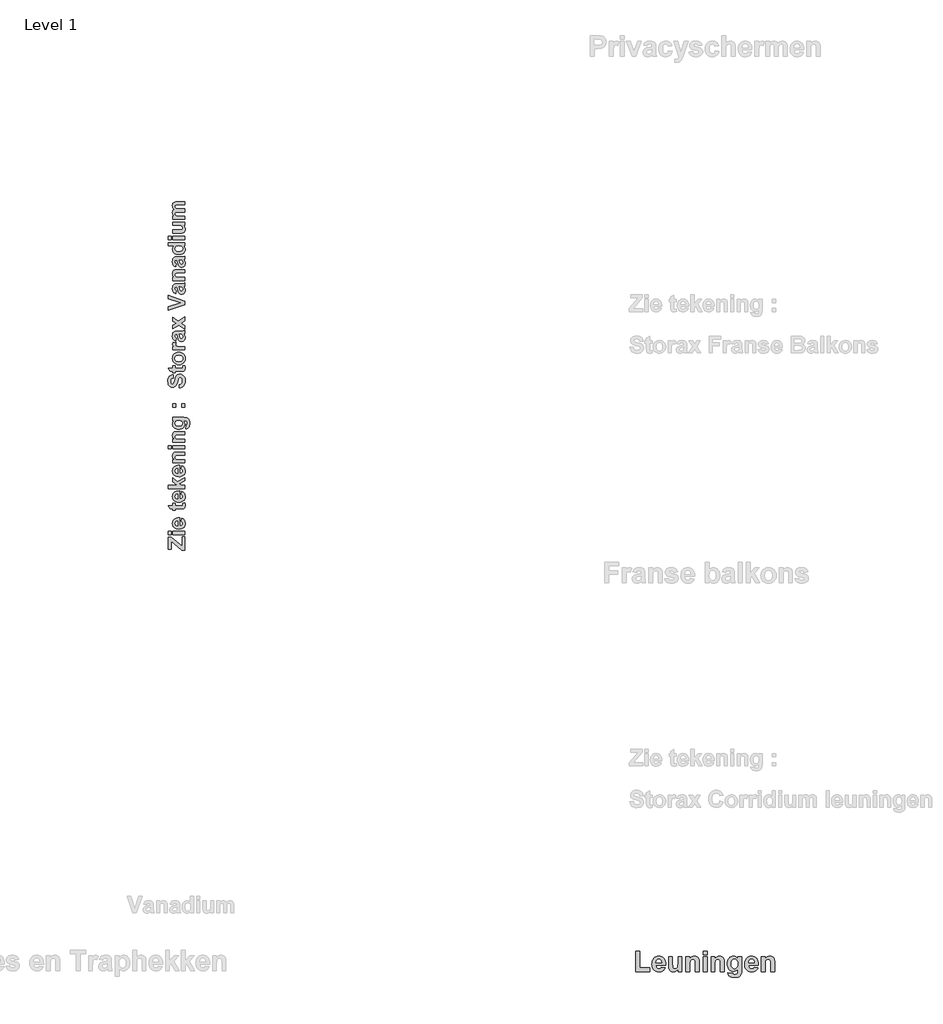
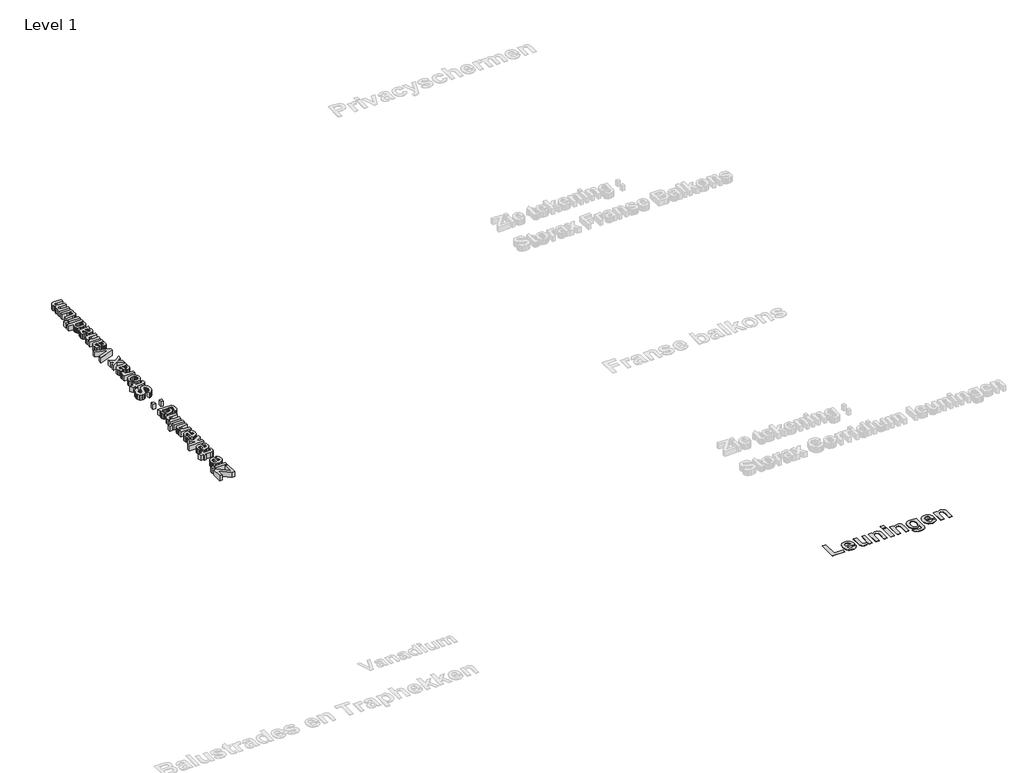
# One storey, part 15 of 20: 2 proxies.
"""IFC4 building model written with IfcOpenShell, lengths in millimetres."""

from ifc_helpers import new_model, si_unit, origin, origin_with_axes, place, context, project, spatial, polyline, outline, extrude, element, save

model = new_model("IFC4")

# Units and contexts
model_context = context("Model", 3, world=origin())
ifc_project = project(units=[si_unit("LENGTHUNIT", "METRE", prefix="MILLI")], contexts=[model_context])

# Site, building, storey
site = spatial("IfcSite", under=ifc_project)
building = spatial("IfcBuilding", under=site)
storey = spatial("IfcBuildingStorey", under=building, Name="Level 1", Elevation=0.0)

# Proxies
placement = place(None, origin())
element("IfcBuildingElementProxy", 1, Name="400mm", ObjectType="400mm", at=placement, inside=storey, context=model_context, shape_type="SweptSolid", body=[
    extrude(outline(polyline([(29629.0381866, -6913.9641128), (29551.304137, -6913.9641128), (29292.1906386, -6695.2358823), (29292.1906386, -6888.0527629), (29220.9344266, -6888.0527629), (29220.9344266, -6596.5500772), (29292.1906386, -6596.5500772), (29557.7819745, -6820.7439831), (29557.7819745, -6590.0722398), (29629.0381866, -6590.0722398), (29629.0381866, -6913.9641128)])), origin_with_axes(), (0.0, 0.0, 1.0), 150.0),
    extrude(outline(polyline([(29629.0381866, -6538.2495401), (29331.0576634, -6538.2495401), (29331.0576634, -6460.5154906), (29629.0381866, -6460.5154906), (29629.0381866, -6538.2495401)])), origin_with_axes(), (0.0, 0.0, 1.0), 150.0),
    extrude(outline(polyline([(29292.1906386, -6538.2495401), (29220.9344266, -6538.2495401), (29220.9344266, -6460.5154906), (29292.1906386, -6460.5154906), (29292.1906386, -6538.2495401)])), origin_with_axes(), (0.0, 0.0, 1.0), 150.0),
    extrude(outline(polyline([(29538.3484621, -6214.3576671), (29551.304137, -6136.6236176), (29587.5774964, -6155.5510489), (29602.0229474, -6168.2030752), (29614.0075793, -6182.9806419), (29623.4175239, -6199.8141629), (29630.1389129, -6218.634052), (29635.516024, -6262.2329346), (29632.3466914, -6297.4371977), (29622.8386937, -6327.7451267), (29606.9920308, -6353.1567215), (29584.8067027, -6373.6719821), (29563.1780637, -6386.1595321), (29538.8798472, -6395.0792106), (29511.9120532, -6400.4310177), (29482.2746816, -6402.2149534), (29447.329785, -6399.8490245), (29416.3829287, -6392.7512378), (29389.4341127, -6380.9215932), (29366.483337, -6364.3600908), (29348.1505509, -6344.1801088), (29335.0557037, -6321.4950257), (29327.1987954, -6296.3048414), (29324.5798259, -6268.6095558), (29327.2683815, -6237.8335019), (29335.3340483, -6210.4861471), (29348.7768262, -6186.5674914), (29367.5967153, -6166.0775348), (29391.970844, -6149.7500948), (29422.0763405, -6138.3189891), (29457.913205, -6131.7842175), (29499.4814374, -6130.1457801), (29499.4814374, -6324.4809039), (29532.2248814, -6319.4960056), (29556.7698124, -6306.1607698), (29572.1040683, -6286.499521), (29577.2154869, -6262.5365832), (29574.9128181, -6246.2154693), (29568.0048117, -6232.6778012), (29555.9853868, -6222.024795), (29538.3484621, -6214.3576671)]), holes=[polyline([(29454.1365751, -6207.8798296), (29423.4048033, -6212.6116875), (29401.0486728, -6225.1878016), (29387.4224405, -6243.4573276), (29382.8803631, -6265.2694209), (29387.662829, -6288.2961087), (29402.0102268, -6306.9704995), (29424.6573539, -6319.217661), (29454.1365751, -6323.1650932), (29454.1365751, -6207.8798296)])]), origin_with_axes(), (0.0, 0.0, 1.0), 150.0),
    extrude(outline(polyline([(29331.0576634, -5773.8647198), (29389.3582005, -5773.8647198), (29389.3582005, -5832.165257), (29517.1942742, -5832.165257), (29562.3873121, -5830.3939733), (29573.0150142, -5822.3472846), (29577.2154869, -5807.0636368), (29569.7254873, -5770.6258011), (29624.9895382, -5767.3868824), (29632.8844026, -5797.3721847), (29635.516024, -5831.0518786), (29633.6941322, -5851.7505936), (29628.2284569, -5870.3237682), (29619.8781195, -5885.4935478), (29609.4022418, -5895.9820776), (29595.8139655, -5902.9027359), (29578.1264328, -5907.3689012), (29521.5465712, -5909.8993065), (29389.3582005, -5909.8993065), (29389.3582005, -5948.7663312), (29331.0576634, -5948.7663312), (29331.0576634, -5909.8993065), (29272.7571263, -5909.8993065), (29227.412264, -5832.165257), (29331.0576634, -5832.165257), (29331.0576634, -5773.8647198)])), origin_with_axes(), (0.0, 0.0, 1.0), 150.0),
    extrude(outline(polyline([(29538.3484621, -5560.0960836), (29551.304137, -5482.3620341), (29587.5774964, -5501.2894654), (29602.0229474, -5513.9414917), (29614.0075793, -5528.7190584), (29623.4175239, -5545.5525794), (29630.1389129, -5564.3724685), (29635.516024, -5607.9713511), (29632.3466914, -5643.1756143), (29622.8386937, -5673.4835432), (29606.9920308, -5698.895138), (29584.8067027, -5719.4103987), (29563.1780637, -5731.8979486), (29538.8798472, -5740.8176271), (29511.9120532, -5746.1694343), (29482.2746816, -5747.95337), (29447.329785, -5745.5874411), (29416.3829287, -5738.4896543), (29389.4341127, -5726.6600097), (29366.483337, -5710.0985073), (29348.1505509, -5689.9185254), (29335.0557037, -5667.2334422), (29327.1987954, -5642.0432579), (29324.5798259, -5614.3479724), (29327.2683815, -5583.5719184), (29335.3340483, -5556.2245636), (29348.7768262, -5532.3059079), (29367.5967153, -5511.8159513), (29391.970844, -5495.4885114), (29422.0763405, -5484.0574056), (29457.913205, -5477.5226341), (29499.4814374, -5475.8841967), (29499.4814374, -5670.2193205), (29532.2248814, -5665.2344221), (29556.7698124, -5651.8991864), (29572.1040683, -5632.2379375), (29577.2154869, -5608.2749997), (29574.9128181, -5591.9538858), (29568.0048117, -5578.4162177), (29555.9853868, -5567.7632116), (29538.3484621, -5560.0960836)]), holes=[polyline([(29454.1365751, -5553.6182462), (29423.4048033, -5558.350104), (29401.0486728, -5570.9262181), (29387.4224405, -5589.1957441), (29382.8803631, -5611.0078374), (29387.662829, -5634.0345253), (29402.0102268, -5652.7089161), (29424.6573539, -5664.9560775), (29454.1365751, -5668.9035097), (29454.1365751, -5553.6182462)])]), origin_with_axes(), (0.0, 0.0, 1.0), 150.0),
    extrude(outline(polyline([(29629.0381866, -5417.5836595), (29220.9344266, -5417.5836595), (29220.9344266, -5339.84961), (29436.0188735, -5339.84961), (29331.0576634, -5245.9209668), (29331.0576634, -5155.2312424), (29440.573603, -5255.131642), (29629.0381866, -5148.7534049), (29629.0381866, -5226.4874544), (29495.5340052, -5305.1324499), (29533.5913002, -5339.84961), (29629.0381866, -5339.84961), (29629.0381866, -5417.5836595)])), origin_with_axes(), (0.0, 0.0, 1.0), 150.0),
    extrude(outline(polyline([(29538.3484621, -4938.2236875), (29551.304137, -4860.4896379), (29587.5774964, -4879.4170693), (29602.0229474, -4892.0690956), (29614.0075793, -4906.8466623), (29623.4175239, -4923.6801832), (29630.1389129, -4942.5000724), (29635.516024, -4986.0989549), (29632.3466914, -5021.3032181), (29622.8386937, -5051.6111471), (29606.9920308, -5077.0227419), (29584.8067027, -5097.5380025), (29563.1780637, -5110.0255524), (29538.8798472, -5118.945231), (29511.9120532, -5124.2970381), (29482.2746816, -5126.0809738), (29447.329785, -5123.7150449), (29416.3829287, -5116.6172581), (29389.4341127, -5104.7876136), (29366.483337, -5088.2261112), (29348.1505509, -5068.0461292), (29335.0557037, -5045.3610461), (29327.1987954, -5020.1708617), (29324.5798259, -4992.4755762), (29327.2683815, -4961.6995222), (29335.3340483, -4934.3521674), (29348.7768262, -4910.4335117), (29367.5967153, -4889.9435551), (29391.970844, -4873.6161152), (29422.0763405, -4862.1850095), (29457.913205, -4855.6502379), (29499.4814374, -4854.0118005), (29499.4814374, -5048.3469243), (29532.2248814, -5043.3620259), (29556.7698124, -5030.0267902), (29572.1040683, -5010.3655414), (29577.2154869, -4986.4026036), (29574.9128181, -4970.0814897), (29568.0048117, -4956.5438215), (29555.9853868, -4945.8908154), (29538.3484621, -4938.2236875)]), holes=[polyline([(29454.1365751, -4931.74585), (29423.4048033, -4936.4777078), (29401.0486728, -4949.053822), (29387.4224405, -4967.3233479), (29382.8803631, -4989.1354413), (29387.662829, -5012.1621291), (29402.0102268, -5030.8365199), (29424.6573539, -5043.0836814), (29454.1365751, -5047.0311136), (29454.1365751, -4931.74585)])]), origin_with_axes(), (0.0, 0.0, 1.0), 150.0),
    extrude(outline(polyline([(29629.0381866, -4530.1199275), (29629.0381866, -4607.853977), (29475.8980604, -4607.853977), (29435.8164411, -4609.0685715), (29412.9415775, -4612.7123551), (29400.2642472, -4619.1142804), (29390.7752275, -4628.6033001), (29384.8540792, -4640.7239413), (29382.8803631, -4655.020731), (29385.7017649, -4673.8342941), (29394.1659705, -4690.5982289), (29407.2987738, -4703.8575525), (29424.1259688, -4712.1572817), (29450.707876, -4716.5222308), (29493.1048161, -4717.9772138), (29629.0381866, -4717.9772138), (29629.0381866, -4795.7112633), (29331.0576634, -4795.7112633), (29331.0576634, -4717.9772138), (29373.9733366, -4717.9772138), (29352.3636757, -4698.309639), (29336.9282036, -4676.2508311), (29327.6669204, -4651.8007903), (29324.5798259, -4624.9595165), (29326.9331028, -4601.3255314), (29333.9929335, -4579.8170867), (29344.6965477, -4561.8512094), (29357.9811753, -4548.8449264), (29373.5305157, -4539.9252479), (29391.028268, -4534.219184), (29444.0149541, -4530.1199275), (29629.0381866, -4530.1199275)])), origin_with_axes(), (0.0, 0.0, 1.0), 150.0),
    extrude(outline(polyline([(29629.0381866, -4452.385878), (29331.0576634, -4452.385878), (29331.0576634, -4374.6518284), (29629.0381866, -4374.6518284), (29629.0381866, -4452.385878)])), origin_with_axes(), (0.0, 0.0, 1.0), 150.0),
    extrude(outline(polyline([(29292.1906386, -4452.385878), (29220.9344266, -4452.385878), (29220.9344266, -4374.6518284), (29292.1906386, -4374.6518284), (29292.1906386, -4452.385878)])), origin_with_axes(), (0.0, 0.0, 1.0), 150.0),
    extrude(outline(polyline([(29629.0381866, -4031.3264431), (29629.0381866, -4109.0604926), (29475.8980604, -4109.0604926), (29435.8164411, -4110.2750871), (29412.9415775, -4113.9188707), (29400.2642472, -4120.320796), (29390.7752275, -4129.8098157), (29384.8540792, -4141.9304569), (29382.8803631, -4156.2272466), (29385.7017649, -4175.0408097), (29394.1659705, -4191.8047445), (29407.2987738, -4205.0640681), (29424.1259688, -4213.3637973), (29450.707876, -4217.7287464), (29493.1048161, -4219.1837294), (29629.0381866, -4219.1837294), (29629.0381866, -4296.9177789), (29331.0576634, -4296.9177789), (29331.0576634, -4219.1837294), (29373.9733366, -4219.1837294), (29352.3636757, -4199.5161545), (29336.9282036, -4177.4573467), (29327.6669204, -4153.0073059), (29324.5798259, -4126.1660321), (29326.9331028, -4102.532047), (29333.9929335, -4081.0236023), (29344.6965477, -4063.057725), (29357.9811753, -4050.051442), (29373.5305157, -4041.1317634), (29391.028268, -4035.4256996), (29444.0149541, -4031.3264431), (29629.0381866, -4031.3264431)])), origin_with_axes(), (0.0, 0.0, 1.0), 150.0),
    extrude(outline(polyline([(29648.4716989, -3960.070231), (29661.4273739, -3869.3805066), (29672.8648056, -3865.9138514), (29680.0511566, -3859.7649666), (29685.5168319, -3846.2779066), (29687.3387237, -3826.8696982), (29685.0360549, -3801.71747), (29678.1280486, -3783.7515926), (29670.0560558, -3775.3000391), (29658.1884551, -3769.1764583), (29621.9530518, -3765.7351072), (29578.5312976, -3765.7351072), (29600.6280615, -3785.7822429), (29616.4114643, -3807.4614899), (29625.881506, -3830.7728483), (29629.0381866, -3855.7163182), (29625.868854, -3882.9624568), (29616.3608562, -3907.2100652), (29600.5141933, -3928.4591433), (29578.3288652, -3946.7096912), (29557.060809, -3958.2230352), (29533.3382597, -3966.4468522), (29507.1612173, -3971.3811425), (29478.5296818, -3973.0259059), (29443.2906256, -3970.8718984), (29412.4734526, -3964.409876), (29386.0781627, -3953.6398386), (29364.1047561, -3938.5617863), (29346.8125991, -3920.2764453), (29334.4610585, -3899.8845419), (29327.0501341, -3877.3860762), (29324.5798259, -3852.7810481), (29327.50877, -3827.5276036), (29336.2956023, -3804.602132), (29350.9403227, -3784.0046332), (29371.4429313, -3765.7351072), (29331.0576634, -3765.7351072), (29331.0576634, -3688.0010577), (29595.7380534, -3688.0010577), (29641.298, -3690.1139461), (29673.7251434, -3696.4526112), (29696.7897873, -3706.5995363), (29714.2622356, -3720.1372045), (29727.3570829, -3737.9259534), (29737.2889235, -3760.826121), (29743.5516765, -3789.6600889), (29745.6392608, -3825.2502389), (29744.0830616, -3859.3664278), (29739.4144639, -3888.1308095), (29731.6334677, -3911.5433842), (29720.7400731, -3929.6041517), (29707.4554455, -3943.0659077), (29692.5007504, -3952.6814476), (29675.8759879, -3958.4507716), (29657.5811579, -3960.3738796), (29648.4716989, -3960.070231)]), holes=[polyline([(29475.5944117, -3895.2918564), (29518.3582606, -3890.8003871), (29534.7679387, -3885.1860504), (29547.8627859, -3877.3259791), (29565.0189335, -3857.2472133), (29570.7376494, -3832.9426708), (29564.8671092, -3806.8921487), (29547.2554886, -3785.2192277), (29534.1037073, -3776.694925), (29518.1305241, -3770.6061373), (29477.7199521, -3765.7351072), (29435.7531809, -3770.4037049), (29419.428904, -3776.239452), (29406.2106996, -3784.409498), (29388.7129472, -3805.5510339), (29382.8803631, -3831.6268601), (29388.599079, -3856.9182607), (29405.7552266, -3877.3259791), (29418.6982495, -3885.1860504), (29434.6524547, -3890.8003871), (29475.5944117, -3895.2918564)])]), origin_with_axes(), (0.0, 0.0, 1.0), 150.0),
    extrude(outline(polyline([(29408.7917129, -3435.3653967), (29331.0576634, -3435.3653967), (29331.0576634, -3357.6313472), (29408.7917129, -3357.6313472), (29408.7917129, -3435.3653967)])), origin_with_axes(), (0.0, 0.0, 1.0), 150.0),
    extrude(outline(polyline([(29629.0381866, -3435.3653967), (29551.304137, -3435.3653967), (29551.304137, -3357.6313472), (29629.0381866, -3357.6313472), (29629.0381866, -3435.3653967)])), origin_with_axes(), (0.0, 0.0, 1.0), 150.0),
    extrude(outline(polyline([(29493.0035999, -2968.9610996), (29486.5257624, -2891.2270501), (29521.2935307, -2879.8908345), (29545.4335968, -2860.862187), (29559.5532582, -2834.0145872), (29564.259812, -2799.2215149), (29560.0972953, -2763.1126319), (29547.6097454, -2737.175978), (29529.5553039, -2721.5380735), (29508.6921125, -2716.3254387), (29495.470745, -2718.4889352), (29484.3496139, -2724.9794247), (29474.9491584, -2736.8849814), (29466.8898176, -2755.2936796), (29449.5818457, -2822.7036757), (29431.6918805, -2880.2450913), (29421.2476328, -2901.4625394), (29409.803875, -2917.644481), (29392.0847122, -2934.4273939), (29372.5310056, -2946.4151888), (29351.1427551, -2953.6078657), (29327.9199609, -2956.0054247), (29297.8587464, -2951.6025195), (29269.8218562, -2938.3938041), (29246.0107427, -2916.8853594), (29228.6268586, -2887.5832665), (29217.9991565, -2850.9683024), (29214.4565891, -2807.5212442), (29216.6643677, -2771.5800005), (29223.2877035, -2740.3769406), (29234.3265964, -2713.9120647), (29249.7810465, -2692.1853725), (29268.9172363, -2675.1272781), (29291.0013482, -2662.6681952), (29316.0333822, -2654.8081238), (29344.0133383, -2651.5470641), (29344.0133383, -2729.2811136), (29317.3049108, -2737.8718394), (29299.3263815, -2752.7126663), (29289.1161963, -2775.1700129), (29285.7128012, -2806.6102983), (29289.3312807, -2839.707999), (29300.1867193, -2864.708403), (29311.0674619, -2874.8806321), (29325.085907, -2878.2713752), (29338.3199265, -2875.1842808), (29349.4790137, -2865.9229975), (29362.5485568, -2839.0374417), (29376.0482689, -2789.7577993), (29390.0920181, -2737.163326), (29404.7936726, -2700.3332774), (29422.5950736, -2674.5231438), (29445.9380621, -2654.9884152), (29475.1136347, -2642.6906457), (29510.4127881, -2638.5913892), (29544.1177861, -2643.4371152), (29575.5960275, -2657.9742934), (29602.0640665, -2681.3805421), (29620.7384573, -2712.8334794), (29631.8216323, -2752.6747102), (29635.516024, -2801.2458391), (29633.2418223, -2837.5698066), (29626.4192171, -2869.4149568), (29615.0482085, -2896.7812896), (29599.1287964, -2919.6688052), (29578.8507613, -2938.2356538), (29554.4038835, -2952.6399857), (29525.788163, -2962.881801), (29493.0035999, -2968.9610996)])), origin_with_axes(), (0.0, 0.0, 1.0), 150.0),
    extrude(outline(polyline([(29331.0576634, -2431.3005904), (29389.3582005, -2431.3005904), (29389.3582005, -2489.6011276), (29517.1942742, -2489.6011276), (29562.3873121, -2487.8298439), (29573.0150142, -2479.7831552), (29577.2154869, -2464.4995074), (29569.7254873, -2428.0616717), (29624.9895382, -2424.822753), (29632.8844026, -2454.8080553), (29635.516024, -2488.4877493), (29633.6941322, -2509.1864643), (29628.2284569, -2527.7596389), (29619.8781195, -2542.9294184), (29609.4022418, -2553.4179482), (29595.8139655, -2560.3386066), (29578.1264328, -2564.8047718), (29521.5465712, -2567.3351771), (29389.3582005, -2567.3351771), (29389.3582005, -2606.2022019), (29331.0576634, -2606.2022019), (29331.0576634, -2567.3351771), (29272.7571263, -2567.3351771), (29227.412264, -2489.6011276), (29331.0576634, -2489.6011276), (29331.0576634, -2431.3005904)])), origin_with_axes(), (0.0, 0.0, 1.0), 150.0),
    extrude(outline(polyline([(29475.7968442, -2405.3892406), (29437.24612, -2400.5941226), (29399.9352945, -2386.2087687), (29367.5840633, -2363.0429086), (29343.9121221, -2331.9062719), (29329.4129, -2294.7346187), (29324.5798259, -2253.4637089), (29327.3189896, -2221.4762234), (29335.5364807, -2192.5188983), (29349.2322992, -2166.5917334), (29368.406445, -2143.6947288), (29391.7684116, -2124.9855449), (29418.0276921, -2111.6218422), (29447.1842867, -2103.6036205), (29479.2381953, -2100.93088), (29511.5483074, -2103.6320876), (29540.9674316, -2111.7357104), (29567.4955677, -2125.2417485), (29591.1327158, -2144.1502018), (29610.5504132, -2167.1515856), (29624.420197, -2192.9364151), (29632.7420673, -2221.5046905), (29635.516024, -2252.8564116), (29630.8980344, -2292.49521), (29617.0440656, -2330.2362044), (29594.2577663, -2362.6253917), (29562.842785, -2386.2087687), (29523.2166387, -2400.5941226), (29475.7968442, -2405.3892406)]), holes=[polyline([(29480.047925, -2327.6551911), (29521.6098313, -2322.2780799), (29538.2630609, -2315.5566909), (29552.1644748, -2306.1467464), (29563.1242926, -2294.7630857), (29570.9527339, -2282.1205485), (29575.6497986, -2268.2191346), (29577.2154869, -2253.0588441), (29575.6497986, -2237.9048796), (29570.9527339, -2224.0224437), (29563.1242926, -2211.4115365), (29552.1644748, -2200.072158), (29538.2251049, -2190.7064955), (29521.458007, -2184.0167366), (29479.4406277, -2178.6649295), (29438.3341943, -2184.0167366), (29421.7948329, -2190.7064955), (29407.9313751, -2200.072158), (29396.9715574, -2211.4115365), (29389.1431161, -2224.0224437), (29384.4460513, -2237.9048796), (29382.8803631, -2253.0588441), (29384.4460513, -2268.2191346), (29389.1431161, -2282.1205485), (29396.9715574, -2294.7630857), (29407.9313751, -2306.1467464), (29421.832789, -2315.5566909), (29438.4860186, -2322.2780799), (29480.047925, -2327.6551911)])]), origin_with_axes(), (0.0, 0.0, 1.0), 150.0),
    extrude(outline(polyline([(29629.0381866, -1964.8962933), (29629.0381866, -2042.6303428), (29331.0576634, -2042.6303428), (29331.0576634, -1964.8962933), (29372.5563096, -1964.8962933), (29348.1505509, -1948.4739632), (29333.8411092, -1933.8229167), (29326.8951468, -1919.0959581), (29324.5798259, -1902.4458915), (29328.6790825, -1878.1793051), (29340.976852, -1854.7730565), (29414.9659018, -1877.4454876), (29405.476882, -1896.1704865), (29402.3138755, -1913.4784585), (29404.5279801, -1928.4205015), (29411.1702939, -1940.8574434), (29423.5819317, -1950.8525441), (29443.1040082, -1958.469064), (29478.8333305, -1963.289486), (29539.8667053, -1964.8962933), (29629.0381866, -1964.8962933)])), origin_with_axes(), (0.0, 0.0, 1.0), 150.0),
    extrude(outline(polyline([(29421.7473878, -1757.6054946), (29408.7917129, -1828.8617066), (29371.4429313, -1813.4135825), (29356.9437092, -1802.6055891), (29345.2279328, -1789.7416414), (29336.1943861, -1774.17016), (29329.7418527, -1755.2395657), (29324.5798259, -1707.3010381), (29327.7048764, -1663.955196), (29337.0800279, -1633.3119883), (29351.2502974, -1612.6132733), (29368.7607017, -1599.1009092), (29395.9752103, -1591.6615178), (29439.2577922, -1589.1817206), (29531.1621112, -1589.1817206), (29589.0577835, -1585.0824641), (29629.0381866, -1569.7482082), (29629.0381866, -1647.4822578), (29604.3414312, -1654.7698249), (29594.5234588, -1657.5026626), (29612.426076, -1677.6193844), (29625.2425787, -1699.102525), (29632.9476627, -1722.0026926), (29635.516024, -1746.3704952), (29633.9566618, -1767.3633699), (29629.2785751, -1786.0092936), (29621.4817639, -1802.3082665), (29610.5662282, -1816.2602885), (29597.2721116, -1827.4415167), (29582.3395575, -1835.4281083), (29565.7685661, -1840.2200632), (29547.5591373, -1841.8173816), (29523.7227197, -1838.9706757), (29502.6191399, -1830.4305579), (29485.1846477, -1816.7537175), (29472.355493, -1798.4968436), (29462.5122165, -1773.4205274), (29454.0353589, -1739.2853605), (29444.0402582, -1695.0791807), (29434.7030628, -1666.9157701), (29426.5045497, -1666.9157701), (29406.3119158, -1669.3323072), (29392.9007679, -1676.5819182), (29385.3854643, -1690.5117992), (29382.8803631, -1712.9691458), (29385.0312076, -1729.0878273), (29391.483741, -1741.2084685), (29403.3513416, -1750.3685355), (29421.7473878, -1757.6054946)]), holes=[polyline([(29493.0035999, -1666.9157701), (29503.7831263, -1710.7423892), (29516.0808959, -1750.0142788), (29527.1387668, -1760.5660687), (29540.8788674, -1764.083332), (29554.656924, -1761.2619302), (29566.4359605, -1752.7977246), (29574.5206053, -1739.981222), (29577.2154869, -1724.102929), (29574.0777844, -1705.0489774), (29564.6646768, -1686.9565798), (29554.0875828, -1676.0758372), (29541.3849484, -1669.749824), (29507.0726531, -1666.9157701), (29493.0035999, -1666.9157701)])]), origin_with_axes(), (0.0, 0.0, 1.0), 150.0),
    extrude(outline(polyline([(29629.0381866, -1547.0757771), (29475.5944117, -1441.8109184), (29331.0576634, -1534.1201022), (29331.0576634, -1441.7097022), (29412.9415775, -1396.7697048), (29331.0576634, -1347.9834914), (29331.0576634, -1255.5730914), (29472.1530606, -1350.6151129), (29629.0381866, -1242.6174165), (29629.0381866, -1335.0278165), (29536.7290028, -1396.7697048), (29629.0381866, -1454.6653771), (29629.0381866, -1547.0757771)])), origin_with_axes(), (0.0, 0.0, 1.0), 150.0),
    extrude(outline(polyline([(29629.0381866, -946.3575689), (29220.9344266, -1083.9103987), (29220.9344266, -1001.9252684), (29525.3927872, -899.2920311), (29220.9344266, -796.3551452), (29220.9344266, -714.6736635), (29629.0381866, -859.5140605), (29629.0381866, -946.3575689)])), origin_with_axes(), (0.0, 0.0, 1.0), 150.0),
    extrude(outline(polyline([(29421.7473878, -604.5504267), (29408.7917129, -675.8066388), (29371.4429313, -660.3585147), (29356.9437092, -649.5505212), (29345.2279328, -636.6865735), (29336.1943861, -621.1150921), (29329.7418527, -602.1844978), (29324.5798259, -554.2459702), (29327.7048764, -510.9001281), (29337.0800279, -480.2569204), (29351.2502974, -459.5582054), (29368.7607017, -446.0458413), (29395.9752103, -438.6064499), (29439.2577922, -436.1266527), (29531.1621112, -436.1266527), (29589.0577835, -432.0273962), (29629.0381866, -416.6931404), (29629.0381866, -494.4271899), (29604.3414312, -501.714757), (29594.5234588, -504.4475947), (29612.426076, -524.5643165), (29625.2425787, -546.0474571), (29632.9476627, -568.9476247), (29635.516024, -593.3154274), (29633.9566618, -614.308302), (29629.2785751, -632.9542257), (29621.4817639, -649.2531986), (29610.5662282, -663.2052206), (29597.2721116, -674.3864488), (29582.3395575, -682.3730404), (29565.7685661, -687.1649954), (29547.5591373, -688.7623137), (29523.7227197, -685.9156078), (29502.6191399, -677.37549), (29485.1846477, -663.6986496), (29472.355493, -645.4417757), (29462.5122165, -620.3654596), (29454.0353589, -586.2302926), (29444.0402582, -542.0241128), (29434.7030628, -513.8607023), (29426.5045497, -513.8607023), (29406.3119158, -516.2772393), (29392.9007679, -523.5268503), (29385.3854643, -537.4567313), (29382.8803631, -559.9140779), (29385.0312076, -576.0327594), (29391.483741, -588.1534006), (29403.3513416, -597.3134677), (29421.7473878, -604.5504267)]), holes=[polyline([(29493.0035999, -513.8607023), (29503.7831263, -557.6873213), (29516.0808959, -596.9592109), (29527.1387668, -607.5110008), (29540.8788674, -611.0282642), (29554.656924, -608.2068623), (29566.4359605, -599.7426567), (29574.5206053, -586.9261541), (29577.2154869, -571.0478611), (29574.0777844, -551.9939095), (29564.6646768, -533.9015119), (29554.0875828, -523.0207693), (29541.3849484, -516.6947561), (29507.0726531, -513.8607023), (29493.0035999, -513.8607023)])]), origin_with_axes(), (0.0, 0.0, 1.0), 150.0),
    extrude(outline(polyline([(29629.0381866, -92.8012674), (29629.0381866, -170.5353169), (29475.8980604, -170.5353169), (29435.8164411, -171.7499114), (29412.9415775, -175.393695), (29400.2642472, -181.7956203), (29390.7752275, -191.28464), (29384.8540792, -203.4052812), (29382.8803631, -217.7020709), (29385.7017649, -236.515634), (29394.1659705, -253.2795688), (29407.2987738, -266.5388924), (29424.1259688, -274.8386216), (29450.707876, -279.2035707), (29493.1048161, -280.6585537), (29629.0381866, -280.6585537), (29629.0381866, -358.3926032), (29331.0576634, -358.3926032), (29331.0576634, -280.6585537), (29373.9733366, -280.6585537), (29352.3636757, -260.9909788), (29336.9282036, -238.932171), (29327.6669204, -214.4821302), (29324.5798259, -187.6408564), (29326.9331028, -164.0068713), (29333.9929335, -142.4984266), (29344.6965477, -124.5325493), (29357.9811753, -111.5262663), (29373.5305157, -102.6065877), (29391.028268, -96.9005239), (29444.0149541, -92.8012674), (29629.0381866, -92.8012674)])), origin_with_axes(), (0.0, 0.0, 1.0), 150.0),
    extrude(outline(polyline([(29421.7473878, 49.7111568), (29408.7917129, -21.5450553), (29371.4429313, -6.0969312), (29356.9437092, 4.7110623), (29345.2279328, 17.57501), (29336.1943861, 33.1464913), (29329.7418527, 52.0770857), (29324.5798259, 100.0156133), (29327.7048764, 143.3614554), (29337.0800279, 174.004663), (29351.2502974, 194.703378), (29368.7607017, 208.2157421), (29395.9752103, 215.6551336), (29439.2577922, 218.1349307), (29531.1621112, 218.1349307), (29589.0577835, 222.2341872), (29629.0381866, 237.5684431), (29629.0381866, 159.8343936), (29604.3414312, 152.5468264), (29594.5234588, 149.8139888), (29612.426076, 129.697267), (29625.2425787, 108.2141263), (29632.9476627, 85.3139587), (29635.516024, 60.9461561), (29633.9566618, 39.9532815), (29629.2785751, 21.3073577), (29621.4817639, 5.0083849), (29610.5662282, -8.9436371), (29597.2721116, -20.1248653), (29582.3395575, -28.1114569), (29565.7685661, -32.9034119), (29547.5591373, -34.5007302), (29523.7227197, -31.6540243), (29502.6191399, -23.1139066), (29485.1846477, -9.4370661), (29472.355493, 8.8198078), (29462.5122165, 33.8961239), (29454.0353589, 68.0312908), (29444.0402582, 112.2374707), (29434.7030628, 140.4008812), (29426.5045497, 140.4008812), (29406.3119158, 137.9843442), (29392.9007679, 130.7347331), (29385.3854643, 116.8048522), (29382.8803631, 94.3475055), (29385.0312076, 78.228824), (29391.483741, 66.1081828), (29403.3513416, 56.9481158), (29421.7473878, 49.7111568)]), holes=[polyline([(29493.0035999, 140.4008812), (29503.7831263, 96.5742621), (29516.0808959, 57.3023725), (29527.1387668, 46.7505826), (29540.8788674, 43.2333193), (29554.656924, 46.0547212), (29566.4359605, 54.5189268), (29574.5206053, 67.3354294), (29577.2154869, 83.2137224), (29574.0777844, 102.267674), (29564.6646768, 120.3600716), (29554.0875828, 131.2408142), (29541.3849484, 137.5668273), (29507.0726531, 140.4008812), (29493.0035999, 140.4008812)])]), origin_with_axes(), (0.0, 0.0, 1.0), 150.0),
    extrude(outline(polyline([(29629.0381866, 561.4603161), (29629.0381866, 483.7262666), (29586.1225134, 483.7262666), (29607.9219547, 464.7608792), (29623.3194707, 442.6830933), (29632.4668857, 418.960544), (29635.516024, 395.0608664), (29632.9350107, 371.4933044), (29625.1919706, 349.6780481), (29612.2869038, 329.6150974), (29594.2198102, 311.3044523), (29571.5284011, 296.0492716), (29544.7503874, 285.152714), (29513.8857693, 278.6147794), (29478.9345467, 276.4354679), (29443.3950048, 278.6116164), (29412.3848884, 285.140062), (29385.9041974, 296.0208046), (29363.9529318, 311.2538442), (29346.727198, 329.8143668), (29334.4231024, 350.6775581), (29327.0406451, 373.8434183), (29324.5798259, 399.3119472), (29327.1292092, 422.8826722), (29334.7773591, 444.8086337), (29347.5242756, 465.0898319), (29365.3699587, 483.7262666), (29220.9344266, 483.7262666), (29220.9344266, 561.4603161), (29629.0381866, 561.4603161)]), holes=[polyline([(29474.3798172, 354.1695174), (29516.6881931, 357.4084361), (29545.4335968, 367.1251923), (29559.3381737, 377.4176157), (29569.2700144, 389.5698869), (29575.2291188, 403.5820061), (29577.2154869, 419.453973), (29571.2563825, 444.2519446), (29553.3790694, 465.0012677), (29539.9900625, 473.1934547), (29523.6594596, 479.0450169), (29482.1734654, 483.7262666), (29436.740039, 479.1841892), (29419.5744023, 473.5065924), (29406.1094834, 465.5579568), (29388.6876432, 444.8212858), (29382.8803631, 418.947892), (29388.624383, 393.6438394), (29405.8564428, 372.7933001), (29418.7551836, 364.6453952), (29434.4753263, 358.8254631), (29474.3798172, 354.1695174)])]), origin_with_axes(), (0.0, 0.0, 1.0), 150.0),
    extrude(outline(polyline([(29629.0381866, 639.1943656), (29331.0576634, 639.1943656), (29331.0576634, 716.9284152), (29629.0381866, 716.9284152), (29629.0381866, 639.1943656)])), origin_with_axes(), (0.0, 0.0, 1.0), 150.0),
    extrude(outline(polyline([(29292.1906386, 639.1943656), (29220.9344266, 639.1943656), (29220.9344266, 716.9284152), (29292.1906386, 716.9284152), (29292.1906386, 639.1943656)])), origin_with_axes(), (0.0, 0.0, 1.0), 150.0),
    extrude(outline(polyline([(29629.0381866, 982.519751), (29585.3127837, 982.519751), (29606.2012791, 964.6171338), (29622.1048762, 941.8814426), (29632.1632371, 916.0080488), (29635.516024, 888.6923241), (29632.2264972, 861.6929), (29622.3579167, 837.5781378), (29606.5302318, 818.0434093), (29585.3633918, 804.7840857), (29556.9595928, 797.1928699), (29519.4210308, 794.6624647), (29331.0576634, 794.6624647), (29331.0576634, 872.3965142), (29468.8129256, 872.3965142), (29519.8132436, 873.4466324), (29546.2939346, 876.5969869), (29559.0471771, 882.5434393), (29568.8651495, 891.9818509), (29575.1279025, 904.6718333), (29577.2154869, 920.3729979), (29574.4320411, 938.9841286), (29566.0817038, 955.545631), (29553.5941538, 968.6278261), (29538.3990702, 976.8010351), (29509.894055, 981.090072), (29457.4767101, 982.519751), (29331.0576634, 982.519751), (29331.0576634, 1060.2538005), (29629.0381866, 1060.2538005), (29629.0381866, 982.519751)])), origin_with_axes(), (0.0, 0.0, 1.0), 150.0),
    extrude(outline(polyline([(29331.0576634, 1131.5100126), (29331.0576634, 1209.2440621), (29370.9368503, 1209.2440621), (29350.6556521, 1228.3802519), (29336.169082, 1249.2497692), (29327.47714, 1271.8526142), (29324.5798259, 1296.1887868), (29327.4265319, 1321.2271468), (29335.9666496, 1342.6976354), (29350.2760913, 1360.6255567), (29370.4307692, 1375.0362146), (29350.2760913, 1394.937852), (29335.9666496, 1416.3830365), (29327.4265319, 1439.3464642), (29324.5798259, 1463.8028311), (29327.9073089, 1493.3326604), (29337.8897576, 1517.9535036), (29354.3247397, 1537.3364078), (29377.0098229, 1551.1524206), (29401.9343147, 1557.0735689), (29438.650495, 1559.047285), (29629.0381866, 1559.047285), (29629.0381866, 1481.3132354), (29457.4767101, 1481.3132354), (29420.7605298, 1479.3395193), (29399.8846864, 1473.418371), (29387.1314439, 1460.0072232), (29382.8803631, 1440.8267513), (29385.4234204, 1425.3027151), (29393.0525922, 1410.7149287), (29405.5907503, 1398.5689835), (29422.8607662, 1390.3704705), (29448.1901228, 1385.7018728), (29484.9063031, 1384.1456735), (29629.0381866, 1384.1456735), (29629.0381866, 1306.411624), (29464.5618448, 1306.411624), (29408.0325913, 1302.3629756), (29396.9494163, 1297.2136009), (29389.10516, 1289.8627736), (29384.4365623, 1279.8803249), (29382.8803631, 1266.8360858), (29385.3475082, 1250.2113232), (29392.7489436, 1235.3578444), (29404.8189767, 1223.3637235), (29421.2919149, 1215.3170347), (29446.1025385, 1210.7623053), (29483.1856275, 1209.2440621), (29629.0381866, 1209.2440621), (29629.0381866, 1131.5100126), (29331.0576634, 1131.5100126)])), origin_with_axes(), (0.0, 0.0, 1.0), 150.0),
])
element("IfcBuildingElementProxy", 2, Name="500mm", ObjectType="500mm", at=placement, inside=storey, context=model_context, shape_type="SweptSolid", body=[
    extrude(outline(polyline([(40589.66133, -17164.6173693), (40589.66133, -16664.6173693), (40684.8994253, -16664.6173693), (40684.8994253, -17077.315782), (40938.8676792, -17077.315782), (40938.8676792, -17164.6173693), (40589.66133, -17164.6173693)])), origin_with_axes(), (0.0, 0.0, 1.0), 5.0),
    extrude(outline(polyline([(41216.645457, -17053.5062582), (41311.8835523, -17069.3792741), (41301.5908935, -17093.1074177), (41288.6940681, -17113.8206183), (41273.1930761, -17131.518876), (41255.0879173, -17146.2021907), (41234.4638474, -17157.7310536), (41211.4061217, -17165.9659556), (41185.9147403, -17170.9068968), (41157.9897031, -17172.5538772), (41114.8581926, -17168.6708787), (41077.7255662, -17157.0218832), (41046.5918236, -17137.6068906), (41021.456965, -17110.4259011), (41006.1574858, -17083.9269551), (40995.2292864, -17054.1572999), (40988.6723667, -17021.1169353), (40986.4867269, -16984.8058614), (40989.3854124, -16941.9921213), (40998.0814689, -16904.0766947), (41012.5748965, -16871.0595816), (41032.8656951, -16842.940782), (41057.5897775, -16820.4798445), (41085.3830562, -16804.4363177), (41116.2455314, -16794.8102016), (41150.1772031, -16791.6014963), (41187.8833662, -16794.8954571), (41221.3887606, -16804.7773395), (41250.6933861, -16821.2471436), (41275.7972427, -16844.3048693), (41295.801273, -16874.1675305), (41309.8064193, -16911.0521411), (41317.8126817, -16954.9587012), (41319.8200602, -17005.8872106), (41081.7248221, -17005.8872106), (41087.832213, -17046.003778), (41094.7224039, -17062.2953207), (41104.1702586, -17076.0757026), (41115.5557373, -17087.034904), (41128.2588003, -17094.862905), (41142.2794476, -17099.5597056), (41157.6176792, -17101.1253058), (41177.613959, -17098.3041253), (41194.2000205, -17089.8405836), (41207.2518558, -17075.1146411), (41216.645457, -17053.5062582)]), holes=[polyline([(41224.581965, -16950.331655), (41218.7845939, -16912.6797453), (41212.2819278, -16897.7019117), (41203.3766078, -16885.2894923), (41180.9931753, -16868.5949239), (41154.269465, -16863.0300677), (41126.0576594, -16868.8894427), (41103.1781951, -16886.4675677), (41094.4046336, -16899.2946387), (41088.1732348, -16914.2143435), (41083.3369253, -16950.331655), (41224.581965, -16950.331655)])]), origin_with_axes(), (0.0, 0.0, 1.0), 5.0),
    extrude(outline(polyline([(41621.4073618, -17164.6173693), (41621.4073618, -17111.0459407), (41599.473458, -17136.6380786), (41571.6181753, -17156.1228257), (41539.9186465, -17168.4461143), (41506.4520046, -17172.5538772), (41473.3728876, -17168.5236193), (41443.8279967, -17156.4328455), (41419.894465, -17137.0411044), (41403.6494253, -17111.1079447), (41394.34883, -17076.3082175), (41391.2486316, -17030.3167741), (41391.2486316, -16799.5380042), (41486.4867269, -16799.5380042), (41486.4867269, -16968.3128058), (41487.7733092, -17030.7973048), (41491.6330562, -17063.2408812), (41498.9185225, -17078.8658812), (41510.4822626, -17090.8946511), (41526.0297576, -17098.5676421), (41545.2664888, -17101.1253058), (41568.0684481, -17097.7150876), (41588.3592467, -17087.4844328), (41604.3872725, -17072.1849536), (41614.4009134, -17053.5682622), (41619.6557497, -17018.644527), (41621.4073618, -16954.4239169), (41621.4073618, -16799.5380042), (41716.645457, -16799.5380042), (41716.645457, -17164.6173693), (41621.4073618, -17164.6173693)])), origin_with_axes(), (0.0, 0.0, 1.0), 5.0),
    extrude(outline(polyline([(42137.2803777, -17164.6173693), (42042.0422824, -17164.6173693), (42042.0422824, -16976.9933614), (42040.5541872, -16927.8862185), (42036.0899015, -16899.8604249), (42028.2463995, -16884.3284308), (42016.6206554, -16872.7026868), (42001.770705, -16865.4482225), (41984.254584, -16863.0300677), (41961.2046088, -16866.486789), (41940.6657943, -16876.8569526), (41924.4207546, -16892.9469824), (41914.2521038, -16913.5633018), (41908.9042616, -16946.1308862), (41907.1216475, -16998.0747106), (41907.1216475, -17164.6173693), (41811.8835523, -17164.6173693), (41811.8835523, -16799.5380042), (41907.1216475, -16799.5380042), (41907.1216475, -16852.1173693), (41931.2179397, -16825.6416749), (41958.2439193, -16806.7304645), (41988.1995865, -16795.3837384), (42021.0849412, -16791.6014963), (42050.0407943, -16794.4846808), (42076.3924808, -16803.1342344), (42098.4038896, -16816.2480737), (42114.3389094, -16832.5241153), (42125.2671088, -16851.5748346), (42132.2580562, -16873.0127066), (42136.0247973, -16900.5579695), (42137.2803777, -16937.9308614), (42137.2803777, -17164.6173693)])), origin_with_axes(), (0.0, 0.0, 1.0), 5.0),
    extrude(outline(polyline([(42232.5184729, -17164.6173693), (42232.5184729, -16799.5380042), (42327.7565681, -16799.5380042), (42327.7565681, -17164.6173693), (42232.5184729, -17164.6173693)])), origin_with_axes(), (0.0, 0.0, 1.0), 5.0),
    extrude(outline(polyline([(42232.5184729, -16751.9189566), (42232.5184729, -16664.6173693), (42327.7565681, -16664.6173693), (42327.7565681, -16751.9189566), (42232.5184729, -16751.9189566)])), origin_with_axes(), (0.0, 0.0, 1.0), 5.0),
    extrude(outline(polyline([(42748.3914888, -17164.6173693), (42653.1533935, -17164.6173693), (42653.1533935, -16976.9933614), (42651.6652983, -16927.8862185), (42647.2010126, -16899.8604249), (42639.3575106, -16884.3284308), (42627.7317665, -16872.7026868), (42612.8818162, -16865.4482225), (42595.3656951, -16863.0300677), (42572.3157199, -16866.486789), (42551.7769054, -16876.8569526), (42535.5318658, -16892.9469824), (42525.363215, -16913.5633018), (42520.0153727, -16946.1308862), (42518.2327586, -16998.0747106), (42518.2327586, -17164.6173693), (42422.9946634, -17164.6173693), (42422.9946634, -16799.5380042), (42518.2327586, -16799.5380042), (42518.2327586, -16852.1173693), (42542.3290508, -16825.6416749), (42569.3550304, -16806.7304645), (42599.3106976, -16795.3837384), (42632.1960523, -16791.6014963), (42661.1519054, -16794.4846808), (42687.5035919, -16803.1342344), (42709.5150007, -16816.2480737), (42725.4500205, -16832.5241153), (42736.3782199, -16851.5748346), (42743.3691673, -16873.0127066), (42747.1359084, -16900.5579695), (42748.3914888, -16937.9308614), (42748.3914888, -17164.6173693)])), origin_with_axes(), (0.0, 0.0, 1.0), 5.0),
    extrude(outline(polyline([(42835.6930761, -17188.4268931), (42946.8041872, -17204.299909), (42951.051459, -17218.3128058), (42958.5849412, -17227.1173693), (42975.1089987, -17233.8137979), (42998.8875205, -17236.0459407), (43029.7034927, -17233.2247602), (43051.7149015, -17224.7612185), (43062.0695642, -17214.8715856), (43069.5720443, -17200.331655), (43073.7883142, -17155.9368138), (43073.7883142, -17102.737409), (43049.2269922, -17129.8098916), (43022.6660423, -17149.1473792), (42994.1054645, -17160.7498718), (42963.5452586, -17164.6173693), (42930.1638722, -17160.7343708), (42900.4562209, -17149.0853753), (42874.4223047, -17129.6703827), (42852.0621237, -17102.4893931), (42837.9562209, -17076.4322255), (42827.8805761, -17047.3678653), (42821.8351892, -17015.2963128), (42819.8200602, -16980.2175677), (42822.4591041, -16937.0434296), (42830.3762358, -16899.2868882), (42843.5714553, -16866.9479435), (42862.0447626, -16840.0265955), (42884.4475714, -16818.8406146), (42909.4312953, -16803.7077711), (42936.9959345, -16794.628065), (42967.1414888, -16791.6014963), (42998.0814689, -16795.189976), (43026.1692665, -16805.9554149), (43051.4048816, -16823.8978133), (43073.7883142, -16849.0171709), (43073.7883142, -16799.5380042), (43169.0264094, -16799.5380042), (43169.0264094, -17123.8187582), (43166.4377437, -17179.6378306), (43158.6717467, -17219.3668733), (43146.2399511, -17247.6251818), (43129.6538896, -17269.0320518), (43107.8594947, -17285.0755786), (43079.8026991, -17297.2438574), (43044.4759382, -17304.9168485), (43000.8716475, -17307.4745122), (42959.0732224, -17305.5678901), (42923.8317169, -17299.8480241), (42895.1471311, -17290.314914), (42873.019465, -17276.9685598), (42856.5264094, -17260.6925181), (42844.7456554, -17242.3703455), (42837.6772031, -17222.0020419), (42835.3210523, -17199.5876074), (42835.6930761, -17188.4268931)]), holes=[polyline([(42915.0581554, -16976.6213376), (42920.5610076, -17029.0146907), (42927.4395728, -17049.1194774), (42937.0695642, -17065.1630042), (42948.7224349, -17077.424289), (42961.6696386, -17086.1823495), (42975.911175, -17091.4371858), (42991.4470443, -17093.1887979), (43008.0757336, -17091.3906828), (43023.363587, -17085.9963376), (43037.3106046, -17077.0057622), (43049.9167864, -17064.4189566), (43060.3605798, -17048.3056754), (43067.8204322, -17028.7356729), (43072.2963437, -17005.7089492), (43073.7883142, -16979.2255042), (43072.3583476, -16951.6143621), (43068.0684481, -16927.8087136), (43060.9186155, -16907.8085585), (43050.9088499, -16891.6138971), (43038.7134444, -16879.1084717), (43025.0066921, -16870.1760251), (43009.7885932, -16864.8165571), (42993.0591475, -16863.0300677), (42976.8179831, -16864.7816798), (42962.0726644, -16870.0365161), (42948.8231914, -16878.7945766), (42937.0695642, -16891.0558614), (42927.4395728, -16906.9133763), (42920.5610076, -16926.4601272), (42915.0581554, -16976.6213376)])]), origin_with_axes(), (0.0, 0.0, 1.0), 5.0),
    extrude(outline(polyline([(43470.613711, -17053.5062582), (43565.8518062, -17069.3792741), (43555.5591475, -17093.1074177), (43542.6623221, -17113.8206183), (43527.16133, -17131.518876), (43509.0561713, -17146.2021907), (43488.4321014, -17157.7310536), (43465.3743757, -17165.9659556), (43439.8829942, -17170.9068968), (43411.957957, -17172.5538772), (43368.8264466, -17168.6708787), (43331.6938201, -17157.0218832), (43300.5600776, -17137.6068906), (43275.4252189, -17110.4259011), (43260.1257398, -17083.9269551), (43249.1975404, -17054.1572999), (43242.6406207, -17021.1169353), (43240.4549808, -16984.8058614), (43243.3536663, -16941.9921213), (43252.0497229, -16904.0766947), (43266.5431505, -16871.0595816), (43286.8339491, -16842.940782), (43311.5580314, -16820.4798445), (43339.3513102, -16804.4363177), (43370.2137854, -16794.8102016), (43404.145457, -16791.6014963), (43441.8516202, -16794.8954571), (43475.3570146, -16804.7773395), (43504.6616401, -16821.2471436), (43529.7654967, -16844.3048693), (43549.769527, -16874.1675305), (43563.7746733, -16911.0521411), (43571.7809357, -16954.9587012), (43573.7883142, -17005.8872106), (43335.6930761, -17005.8872106), (43341.8004669, -17046.003778), (43348.6906579, -17062.2953207), (43358.1385126, -17076.0757026), (43369.5239912, -17087.034904), (43382.2270542, -17094.862905), (43396.2477016, -17099.5597056), (43411.5859332, -17101.1253058), (43431.582213, -17098.3041253), (43448.1682745, -17089.8405836), (43461.2201098, -17075.1146411), (43470.613711, -17053.5062582)]), holes=[polyline([(43478.5502189, -16950.331655), (43472.7528479, -16912.6797453), (43466.2501817, -16897.7019117), (43457.3448618, -16885.2894923), (43434.9614292, -16868.5949239), (43408.2377189, -16863.0300677), (43380.0259134, -16868.8894427), (43357.1464491, -16886.4675677), (43348.3728876, -16899.2946387), (43342.1414888, -16914.2143435), (43337.3051792, -16950.331655), (43478.5502189, -16950.331655)])]), origin_with_axes(), (0.0, 0.0, 1.0), 5.0),
    extrude(outline(polyline([(43970.613711, -17164.6173693), (43875.3756158, -17164.6173693), (43875.3756158, -16976.9933614), (43873.8875205, -16927.8862185), (43869.4232348, -16899.8604249), (43861.5797328, -16884.3284308), (43849.9539888, -16872.7026868), (43835.1040384, -16865.4482225), (43817.5879173, -16863.0300677), (43794.5379421, -16866.486789), (43773.9991277, -16876.8569526), (43757.754088, -16892.9469824), (43747.5854372, -16913.5633018), (43742.2375949, -16946.1308862), (43740.4549808, -16998.0747106), (43740.4549808, -17164.6173693), (43645.2168856, -17164.6173693), (43645.2168856, -16799.5380042), (43740.4549808, -16799.5380042), (43740.4549808, -16852.1173693), (43764.551273, -16825.6416749), (43791.5772527, -16806.7304645), (43821.5329198, -16795.3837384), (43854.4182745, -16791.6014963), (43883.3741277, -16794.4846808), (43909.7258142, -16803.1342344), (43931.7372229, -16816.2480737), (43947.6722427, -16832.5241153), (43958.6004421, -16851.5748346), (43965.5913896, -16873.0127066), (43969.3581306, -16900.5579695), (43970.613711, -16937.9308614), (43970.613711, -17164.6173693)])), origin_with_axes(), (0.0, 0.0, 1.0), 5.0),
])

save(model, "model.ifc")
